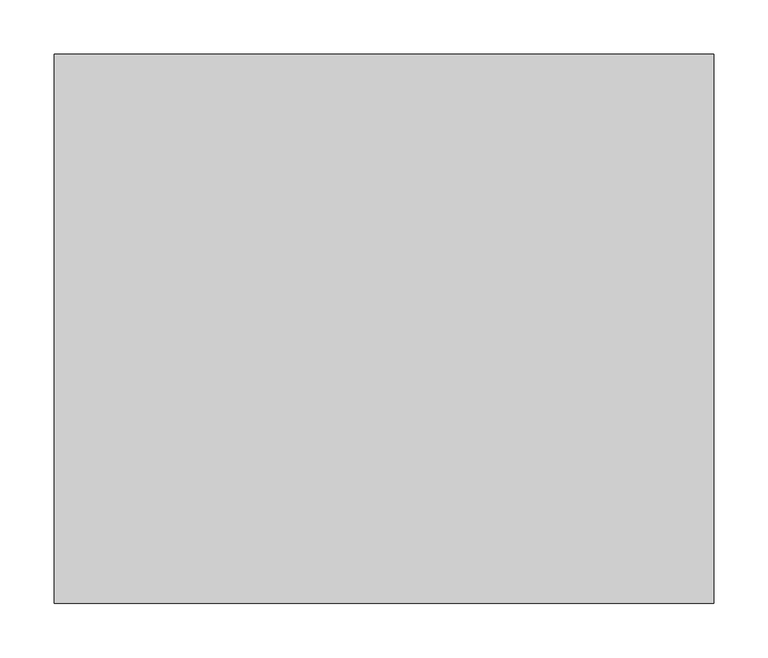
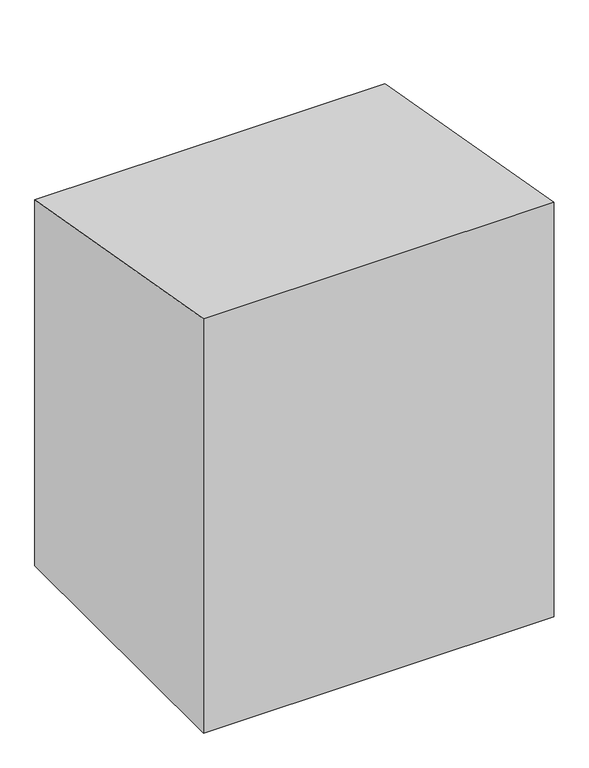
"""IFC4 building model written with IfcOpenShell, lengths in millimetres: proxy geometry."""

from ifc_helpers import new_model, si_unit, origin, origin_with_axes, place, context, project, spatial, polyline, outline, extrude, faceted_brep, source, transform, mapped, element, save


def specialty_equipment_7f4e49d9(model_context):
    return source(origin(), model_context, "Body", "SolidModel", [
        faceted_brep([(292.1, -284.3865948, 654.05), (292.1, -284.3865948, 431.8), (-292.1, -284.3865948, 431.8), (-292.1, -284.3865948, 654.05), (292.1, -284.3865948, 406.4), (292.1, -284.3865948, 101.6), (-292.1, -284.3865948, 101.6), (-292.1, -284.3865948, 406.4), (-292.1, 203.2, 654.05), (292.1, 203.2, 654.05), (-292.1, 203.2, 431.8), (292.1, 203.2, 431.8), (-292.1, 203.2, 406.4), (292.1, 203.2, 406.4), (-292.1, 203.2, 101.6), (292.1, 203.2, 101.6), (304.8, -304.8, 762.0), (304.8, -304.8, 0.0), (304.8, 203.2, 0.0), (304.8, 203.2, 672.4258938), (-304.8, -304.8, 762.0), (-304.8, 203.2, 672.4258938), (-304.8, 203.2, 0.0), (-304.8, -304.8, 0.0)], [[[0, 1, 2, 3]], [[4, 5, 6, 7]], [[3, 8, 9, 0]], [[2, 10, 8, 3]], [[1, 11, 10, 2]], [[0, 9, 11, 1]], [[7, 12, 13, 4]], [[6, 14, 12, 7]], [[5, 15, 14, 6]], [[4, 13, 15, 5]], [[16, 17, 18, 19]], [[20, 21, 22, 23]], [[19, 21, 20, 16]], [[18, 22, 21, 19], [8, 10, 11, 9], [12, 14, 15, 13]], [[17, 23, 22, 18]], [[16, 20, 23, 17]]]),
        extrude(outline(polyline([(-152.4, -152.4), (-152.4, 0.0), (-152.4, 152.4), (152.4, 152.4), (152.4, -152.4), (-152.4, -152.4)])), origin_with_axes(), (0.0, 0.0, 1.0), 101.6),
    ])


if __name__ == "__main__":
    model = new_model("IFC4")
    model_context = context("Model", 3, world=origin())
    ifc_project = project(units=[si_unit("LENGTHUNIT", "METRE", prefix="MILLI")], contexts=[model_context])
    site = spatial("IfcSite", under=ifc_project)
    building = spatial("IfcBuilding", under=site)
    placement = place(None, origin())
    specialty_equipment_shape = specialty_equipment_7f4e49d9(model_context)
    element("IfcBuildingElementProxy", 1, Name="Specialty Equipment", at=placement, inside=building, context=model_context, shape_type="MappedRepresentation", body=[
        mapped(specialty_equipment_shape, transform((0.0, 0.0, 0.0), x_axis=(1.0, 0.0, 0.0), y_axis=(0.0, 1.0, 0.0), z_axis=(0.0, 0.0, 1.0))),
    ])
    save(model, "model.ifc")
